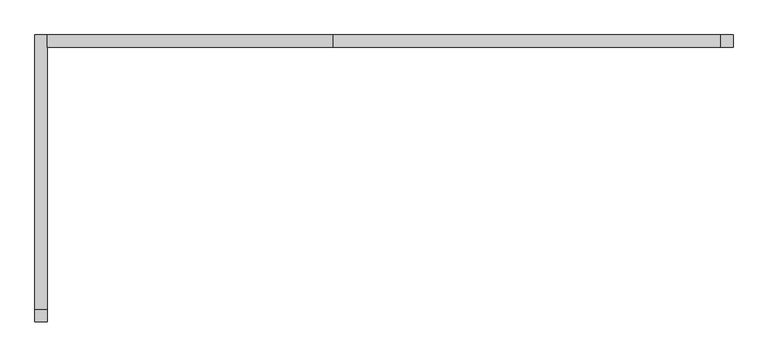
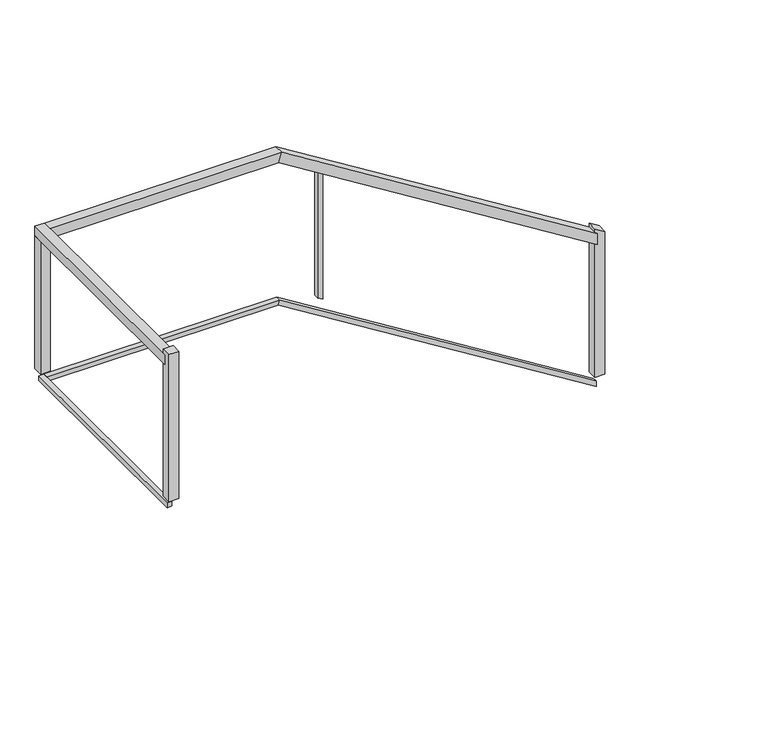
"""IFC4 building model written with IfcOpenShell, lengths in millimetres: railing geometry."""

from ifc_helpers import new_model, si_unit, frame, origin, place, context, project, spatial, polyline, outline, extrude, faceted_brep, source, transform, mapped, element, save


def railing_dfb2ab8d(model_context):
    return source(origin(), model_context, "Body", "SolidModel", [
        faceted_brep([(-18248.6629276, 122339.0501734, 9287.4387915), (-18248.6629276, 122288.2501734, 9287.4387915), (-18248.6629276, 122288.2501734, 9227.6120652), (-18248.6629276, 122339.0501734, 9227.6120652), (-19873.4074029, 122339.0501734, 10298.1254283), (-19873.4074029, 122288.2501734, 10298.1254283), (-19887.9184522, 122288.2501734, 10247.3254283), (-19887.9184522, 122339.0501734, 10247.3254283), (-21063.0636151, 122339.0501734, 10298.1254283), (-21063.0636151, 122339.0501734, 10247.3254283), (-21063.0636151, 122288.2501734, 10247.3254283), (-21063.0636151, 122288.2501734, 10298.1254283)], [[[0, 1, 2, 3]], [[1, 0, 4, 5]], [[2, 1, 5, 6]], [[3, 2, 6, 7]], [[0, 3, 7, 4]], [[8, 9, 10, 11]], [[5, 4, 8, 11]], [[6, 5, 11, 10]], [[7, 6, 10, 9]], [[4, 7, 9, 8]]]),
        faceted_brep([(-21113.8636151, 122339.0501734, 10298.1254283), (-21063.0636151, 122339.0501734, 10298.1254283), (-21063.0636151, 122339.0501734, 10247.3254283), (-21113.8636151, 122339.0501734, 10247.3254283), (-21113.8636151, 121183.6607611, 10298.1254283), (-21113.8636151, 121183.6607611, 10247.3254283), (-21063.0636151, 121183.6607611, 10247.3254283), (-21063.0636151, 121183.6607611, 10298.1254283)], [[[0, 1, 2, 3]], [[4, 5, 6, 7]], [[1, 0, 4, 7]], [[2, 1, 7, 6]], [[3, 2, 6, 5]], [[0, 3, 5, 4]]]),
        faceted_brep([(-18248.6629276, 122326.3501734, 8474.8821099), (-18248.6629276, 122300.9501734, 8474.8821099), (-18248.6629276, 122300.9501734, 8444.9687468), (-18248.6629276, 122326.3501734, 8444.9687468), (-19877.0351652, 122326.3501734, 9487.8254283), (-19877.0351652, 122300.9501734, 9487.8254283), (-19884.2906899, 122300.9501734, 9462.4254283), (-19884.2906899, 122326.3501734, 9462.4254283), (-21075.7636151, 122326.3501734, 9487.8254283), (-21075.7636151, 122326.3501734, 9462.4254283), (-21075.7636151, 122300.9501734, 9462.4254283), (-21075.7636151, 122300.9501734, 9487.8254283)], [[[0, 1, 2, 3]], [[1, 0, 4, 5]], [[2, 1, 5, 6]], [[3, 2, 6, 7]], [[0, 3, 7, 4]], [[8, 9, 10, 11]], [[5, 4, 8, 11]], [[6, 5, 11, 10]], [[7, 6, 10, 9]], [[4, 7, 9, 8]]]),
        faceted_brep([(-21101.1636151, 122326.3501734, 9487.8254283), (-21075.7636151, 122326.3501734, 9487.8254283), (-21075.7636151, 122326.3501734, 9462.4254283), (-21101.1636151, 122326.3501734, 9462.4254283), (-21101.1636151, 121183.6607611, 9487.8254283), (-21101.1636151, 121183.6607611, 9462.4254283), (-21075.7636151, 121183.6607611, 9462.4254283), (-21075.7636151, 121183.6607611, 9487.8254283)], [[[0, 1, 2, 3]], [[4, 5, 6, 7]], [[1, 0, 4, 7]], [[2, 1, 7, 6]], [[3, 2, 6, 5]], [[0, 3, 5, 4]]]),
        extrude(outline(polyline([(10145.5868186, -19655.8632714), (10161.3871128, -19681.2632714), (9429.9022099, -19681.2632714), (9414.1019158, -19655.8632714), (10145.5868186, -19655.8632714)])), frame((0.0, 122300.9501734, 0.0), z_axis=(0.0, 1.0, 0.0), x_axis=(0.0, 0.0, 1.0)), (0.0, 0.0, 1.0), 25.4),
        extrude(outline(polyline([(-21063.0636151, 122288.2501734), (-21113.8636151, 122288.2501734), (-21113.8636151, 122339.0501734), (-21063.0636151, 122339.0501734), (-21063.0636151, 122288.2501734)])), frame((0.0, 0.0, 9522.7254283), z_axis=(0.0, 0.0, 1.0), x_axis=(1.0, 0.0, 0.0)), (0.0, 0.0, 1.0), 724.6),
        extrude(outline(polyline([(-21063.0636151, 121196.3607611), (-21063.0636151, 121145.5607611), (-21113.8636151, 121145.5607611), (-21113.8636151, 121196.3607611), (-21063.0636151, 121196.3607611)])), frame((0.0, 0.0, 9522.7254283), z_axis=(0.0, 0.0, 1.0), x_axis=(1.0, 0.0, 0.0)), (0.0, 0.0, 1.0), 800.9),
        extrude(outline(polyline([(9284.7249872, -18210.5629276), (9316.3255754, -18261.3629276), (8507.5254283, -18261.3629276), (8507.5254283, -18210.5629276), (9284.7249872, -18210.5629276)])), frame((0.0, 122288.2501734, 0.0), z_axis=(0.0, 1.0, 0.0), x_axis=(0.0, 0.0, 1.0)), (0.0, 0.0, 1.0), 50.8),
    ])


if __name__ == "__main__":
    model = new_model("IFC4")
    model_context = context("Model", 3, world=origin())
    ifc_project = project(units=[si_unit("LENGTHUNIT", "METRE", prefix="MILLI")], contexts=[model_context])
    site = spatial("IfcSite", under=ifc_project)
    building = spatial("IfcBuilding", under=site)
    placement = place(None, origin())
    railing_shape = railing_dfb2ab8d(model_context)
    element("IfcRailing", 1, at=placement, inside=building, context=model_context, shape_type="MappedRepresentation", body=[
        mapped(railing_shape, transform((0.0, 0.0, 0.0), x_axis=(1.0, 0.0, 0.0), y_axis=(0.0, 1.0, 0.0), z_axis=(0.0, 0.0, 1.0))),
    ])
    save(model, "model.ifc")
